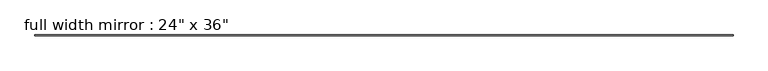
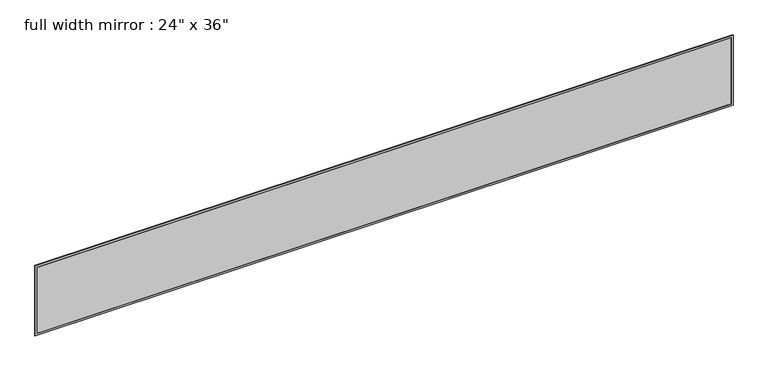
"""IFC4 building model written with IfcOpenShell, lengths in millimetres: proxy geometry."""

import ifcopenshell
import ifcopenshell.guid

model = None  # the IFC model being written
_history = None  # IfcOwnerHistory: only IFC2X3 demands one
_inside = {}  # id of a spatial element -> (the spatial element, [elements in it])
_under = {}  # id of a project, library or spatial element -> (it, [spatial elements below it])
_declared = {}  # id of a project -> (the project, [libraries it declares])
_typed = {}  # id of a type object -> (the type object, [elements of that type])
_made_of = {}  # id of a material, layer set ... -> (it, [elements and type objects made of it])


def new_model(schema):
    """Start an empty IFC model of exactly this schema.

    Asked for "IFC4X3", IfcOpenShell would pick the latest addendum, in which some entities
    have other attributes; the version numbers below select the first issue.
    IFC2X3 requires an IfcOwnerHistory on every rooted entity: one is made here for all.
    """
    global model, _history
    if schema == "IFC4X3":
        model = ifcopenshell.file(schema_version=(4, 3, 0, 0))
    else:
        model = ifcopenshell.file(schema=schema)
    _inside.clear()
    _under.clear()
    _declared.clear()
    _typed.clear()
    _made_of.clear()
    _history = None
    if model.schema == "IFC2X3":
        org = make("IfcOrganization", Name="unknown")
        user = make(
            "IfcPersonAndOrganization",
            ThePerson=make("IfcPerson", FamilyName="unknown"),
            TheOrganization=org,
        )
        app = make(
            "IfcApplication",
            ApplicationDeveloper=org,
            Version="unknown",
            ApplicationFullName="unknown",
            ApplicationIdentifier="unknown",
        )
        _history = make(
            "IfcOwnerHistory",
            OwningUser=user,
            OwningApplication=app,
            ChangeAction="ADDED",
            CreationDate=0,
        )
    return model


def make(cls, **values):
    """One entity of the class cls with the attributes given. An attribute that is None is left unset."""
    return model.create_entity(
        cls, **{name: value for name, value in values.items() if value is not None}
    )


def rooted(cls, **values):
    """An entity with a GlobalId (a new one), such as an element, a storey or a relation."""
    return make(cls, GlobalId=ifcopenshell.guid.new(), OwnerHistory=_history, **values)


def si_unit(unit_type, name, prefix=None):
    """IfcSIUnit, for example si_unit("LENGTHUNIT", "METRE", prefix="MILLI")."""
    return make("IfcSIUnit", UnitType=unit_type, Prefix=prefix, Name=name)


def assignment(units):
    """IfcUnitAssignment: the units of a project."""
    return None if units is None else make("IfcUnitAssignment", Units=units)


def point(xyz):
    """IfcCartesianPoint."""
    return None if xyz is None else make("IfcCartesianPoint", Coordinates=xyz)


def direction(xyz):
    """IfcDirection."""
    return None if xyz is None else make("IfcDirection", DirectionRatios=xyz)


def frame(location, z_axis=None, x_axis=None):
    """IfcAxis2Placement3D, a coordinate frame: its origin and axes. An axis left out is left unset."""
    return make(
        "IfcAxis2Placement3D",
        Location=point(location),
        Axis=direction(z_axis),
        RefDirection=direction(x_axis),
    )


def origin():
    """The frame at (0, 0, 0) with its axes left unset."""
    return frame((0.0, 0.0, 0.0))


def place(relative_to, where):
    """IfcLocalPlacement: puts the frame where relative to a parent placement (None: the world)."""
    return make(
        "IfcLocalPlacement", PlacementRelTo=relative_to, RelativePlacement=where
    )


def context(
    kind, dimensions, precision=None, world=None, true_north=None, identifier=None
):
    """IfcGeometricRepresentationContext, for example the 3D "Model" context."""
    return make(
        "IfcGeometricRepresentationContext",
        ContextIdentifier=identifier,
        ContextType=kind,
        CoordinateSpaceDimension=dimensions,
        Precision=precision,
        WorldCoordinateSystem=world,
        TrueNorth=true_north,
    )


def project(units=None, contexts=None):
    """IfcProject with its units and contexts."""
    return rooted(
        "IfcProject",
        Name="project",
        RepresentationContexts=contexts,
        UnitsInContext=assignment(units),
    )


def spatial(cls, under=None, at=None, **own):
    """A site, building, storey or space (cls), placed at a placement, below another one or the project."""
    s = rooted(cls, ObjectPlacement=at, **own)
    if under is not None:
        _under.setdefault(under.id(), (under, []))[1].append(s)
    return s


def polyline(points):
    """IfcPolyline through the points."""
    return make("IfcPolyline", Points=[point(p) for p in points])


def outline(outer, holes=None, kind="AREA"):
    """IfcArbitraryClosedProfileDef: a profile drawn as a closed curve; with holes, ...WithVoids."""
    if holes is None:
        return make("IfcArbitraryClosedProfileDef", ProfileType=kind, OuterCurve=outer)
    return make(
        "IfcArbitraryProfileDefWithVoids",
        ProfileType=kind,
        OuterCurve=outer,
        InnerCurves=holes,
    )


def extrude(swept, where, along, depth):
    """IfcExtrudedAreaSolid: the profile swept, set in the frame where, extruded along a direction by depth."""
    return make(
        "IfcExtrudedAreaSolid",
        SweptArea=swept,
        Position=where,
        ExtrudedDirection=direction(along),
        Depth=depth,
    )


def shape(context_of_items, identifier, shape_type, items):
    """IfcShapeRepresentation: the items that make up one representation, for example the "Body"."""
    return make(
        "IfcShapeRepresentation",
        ContextOfItems=context_of_items,
        RepresentationIdentifier=identifier,
        RepresentationType=shape_type,
        Items=items,
    )


def source(mapping_origin, context_of_items, identifier, shape_type, items):
    """IfcRepresentationMap: a shape defined once, which mapped items show again and again."""
    return make(
        "IfcRepresentationMap",
        MappingOrigin=mapping_origin,
        MappedRepresentation=shape(context_of_items, identifier, shape_type, items),
    )


def transform(
    local_origin,
    x_axis=None,
    y_axis=None,
    z_axis=None,
    scale=None,
    scale2=None,
    scale3=None,
    uniform=True,
):
    """IfcCartesianTransformationOperator3D, or its non-uniform kind. x_axis, y_axis, z_axis: its Axis1, 2, 3."""
    if uniform:
        return make(
            "IfcCartesianTransformationOperator3D",
            Axis1=direction(x_axis),
            Axis2=direction(y_axis),
            LocalOrigin=point(local_origin),
            Scale=scale,
            Axis3=direction(z_axis),
        )
    return make(
        "IfcCartesianTransformationOperator3DnonUniform",
        Axis1=direction(x_axis),
        Axis2=direction(y_axis),
        LocalOrigin=point(local_origin),
        Scale=scale,
        Axis3=direction(z_axis),
        Scale2=scale2,
        Scale3=scale3,
    )


def mapped(mapping_source, mapping_target):
    """IfcMappedItem: shows the shape of a source again, moved by a transform."""
    return make(
        "IfcMappedItem", MappingSource=mapping_source, MappingTarget=mapping_target
    )


def made_of(thing, what):
    """Note that an element or type object is made of a material, layer set ...; save() writes the relation."""
    if what is not None:
        _made_of.setdefault(what.id(), (what, []))[1].append(thing)
    return thing


def element(
    cls,
    number,
    at=None,
    inside=None,
    cuts=None,
    type_object=None,
    material=None,
    context=None,
    identifier="Body",
    shape_type=None,
    held_by="IfcProductDefinitionShape",
    body=None,
    shapes=None,
    **own,
):
    """One element of the class cls, such as IfcWall. Its Tag is "e" and its number.

    at: its placement. inside: the storey or other place that contains it. cuts: it is an
    opening in that element (IfcRelVoidsElement). A single representation is given by context,
    identifier, shape_type and body (its items); several are given by shapes. held_by: the class
    of the entity that holds the representations. save() writes the other relations.
    """
    e = rooted(cls, Tag="e%d" % number, ObjectPlacement=at, **own)
    if body is not None:
        shapes = [shape(context, identifier, shape_type, body)]
    if shapes is not None:
        e.Representation = make(held_by, Representations=shapes)
    if inside is not None:
        _inside.setdefault(inside.id(), (inside, []))[1].append(e)
    if cuts is not None:
        rooted(
            "IfcRelVoidsElement", RelatingBuildingElement=cuts, RelatedOpeningElement=e
        )
    if type_object is not None:
        _typed.setdefault(type_object.id(), (type_object, []))[1].append(e)
    return made_of(e, material)


def aggregate(whole, parts):
    """IfcRelAggregates: a whole, such as a stair, and the parts it consists of."""
    return rooted("IfcRelAggregates", RelatingObject=whole, RelatedObjects=parts)


def save(model, path):
    """Write the relations noted so far, then the file.

    IfcRelAggregates (storeys below a building ...), IfcRelContainedInSpatialStructure (elements
    in a storey), IfcRelDefinesByType, IfcRelAssociatesMaterial and IfcRelDeclares: one each for
    every whole, place, type object, material and project.
    """
    for whole, parts in _under.values():
        aggregate(whole, parts)
    for where, things in _inside.values():
        rooted(
            "IfcRelContainedInSpatialStructure",
            RelatedElements=things,
            RelatingStructure=where,
        )
    for kind, things in _typed.values():
        rooted("IfcRelDefinesByType", RelatedObjects=things, RelatingType=kind)
    for what, things in _made_of.values():
        rooted("IfcRelAssociatesMaterial", RelatedObjects=things, RelatingMaterial=what)
    for by, libraries in _declared.values():
        rooted("IfcRelDeclares", RelatingContext=by, RelatedDefinitions=libraries)
    model.write(path)


def proxy_4713e671(model_context):
    return source(origin(), model_context, "Body", "SweptSolid", [
        extrude(outline(polyline([(4279.9, -61.9125), (4279.9, -68.2625), (-4279.9, -68.2625), (-4279.9, -61.9125), (4279.9, -61.9125)])), frame((0.0, 0.0, 939.8), z_axis=(0.0, 0.0, 1.0), x_axis=(1.0, 0.0, 0.0)), (0.0, 0.0, 1.0), 863.6),
        extrude(outline(polyline([(1828.8, -4305.3), (914.4, -4305.3), (914.4, 4305.3), (1828.8, 4305.3), (1828.8, -4305.3)]), holes=[polyline([(1803.4, -4279.9), (1803.4, 4279.9), (939.8, 4279.9), (939.8, -4279.9), (1803.4, -4279.9)])]), frame((0.0, -71.4375, 0.0), z_axis=(0.0, 1.0, 0.0), x_axis=(0.0, 0.0, 1.0)), (0.0, 0.0, 1.0), 9.525),
    ])


if __name__ == "__main__":
    model = new_model("IFC4")
    model_context = context("Model", 3, world=origin())
    ifc_project = project(units=[si_unit("LENGTHUNIT", "METRE", prefix="MILLI")], contexts=[model_context])
    site = spatial("IfcSite", under=ifc_project)
    building = spatial("IfcBuilding", under=site)
    placement = place(None, origin())
    proxy_shape = proxy_4713e671(model_context)
    element("IfcBuildingElementProxy", 1, Name="full width mirror : 24\" x 36\"", ObjectType="full width mirror : 24\" x 36\"", at=placement, inside=building, context=model_context, shape_type="MappedRepresentation", body=[
        mapped(proxy_shape, transform((0.0, 0.0, 0.0), x_axis=(1.0, 0.0, 0.0), y_axis=(0.0, 1.0, 0.0), z_axis=(0.0, 0.0, 1.0))),
    ])
    save(model, "model.ifc")
